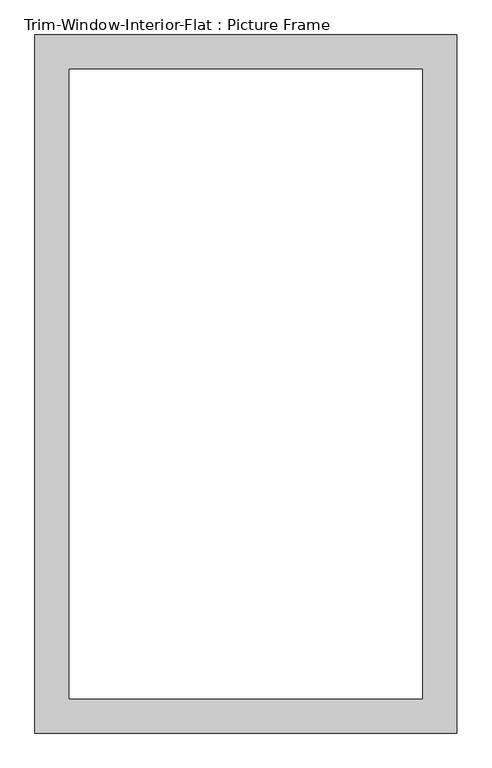
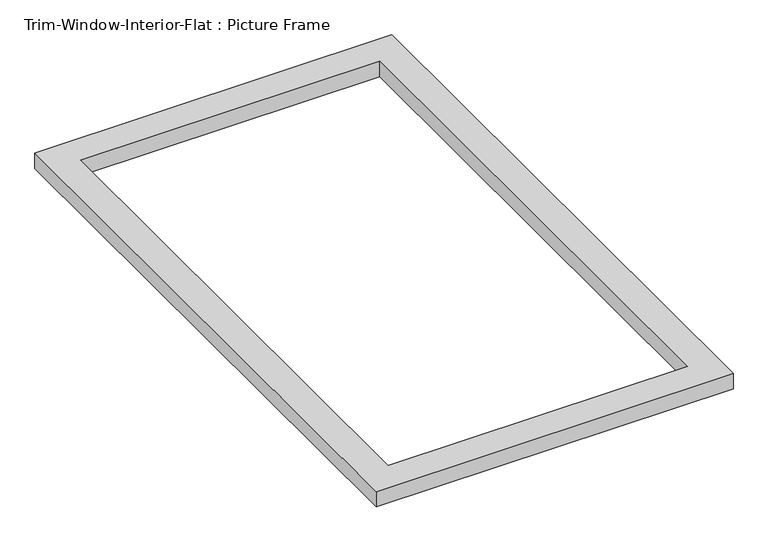
"""IFC4 building model written with IfcOpenShell, lengths in millimetres: proxy geometry, Trim-Window-Interior-Flat : Picture Frame."""

from ifc_helpers import new_model, si_unit, origin, origin_with_axes, place, context, project, spatial, polyline, outline, extrude, source, transform, mapped, element, save


def trim_window_interior_flat_picture_frame_926009e3(model_context):
    return source(origin(), model_context, "Body", "SweptSolid", [
        extrude(outline(polyline([(349.25, -44.45), (-349.25, -44.45), (-349.25, 1111.25), (349.25, 1111.25), (349.25, -44.45)]), holes=[polyline([(292.1, 12.7), (292.1, 1054.1), (-292.1, 1054.1), (-292.1, 12.7), (292.1, 12.7)])]), origin_with_axes(), (0.0, 0.0, 1.0), 31.75),
    ])


if __name__ == "__main__":
    model = new_model("IFC4")
    model_context = context("Model", 3, world=origin())
    ifc_project = project(units=[si_unit("LENGTHUNIT", "METRE", prefix="MILLI")], contexts=[model_context])
    site = spatial("IfcSite", under=ifc_project)
    building = spatial("IfcBuilding", under=site)
    placement = place(None, origin())
    trim_window_interior_flat_picture_frame_shape = trim_window_interior_flat_picture_frame_926009e3(model_context)
    element("IfcBuildingElementProxy", 1, Name="Trim-Window-Interior-Flat : Picture Frame", ObjectType="Trim-Window-Interior-Flat : Picture Frame", at=placement, inside=building, context=model_context, shape_type="MappedRepresentation", body=[
        mapped(trim_window_interior_flat_picture_frame_shape, transform((0.0, 0.0, 0.0), x_axis=(1.0, 0.0, 0.0), y_axis=(0.0, 1.0, 0.0), z_axis=(0.0, 0.0, 1.0))),
    ])
    save(model, "model.ifc")
